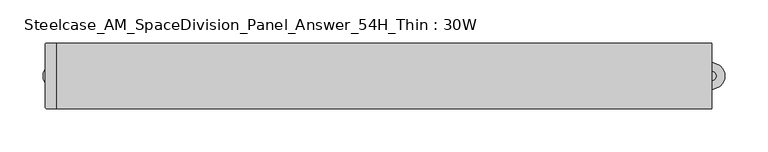
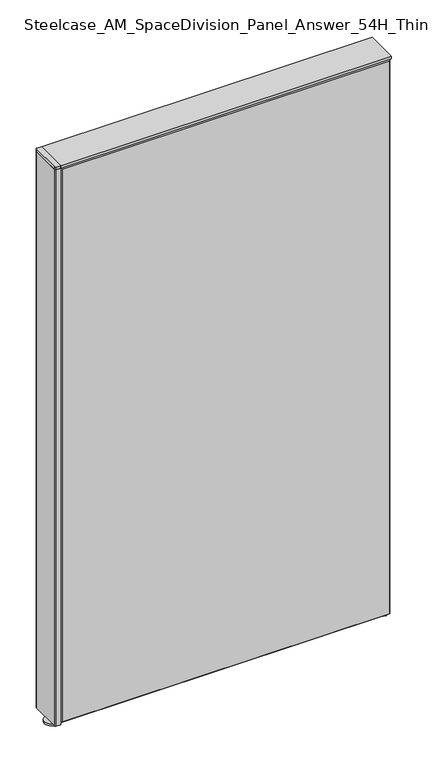
"""IFC4 building model written with IfcOpenShell, lengths in millimetres: furniture geometry, Steelcase_AM_SpaceDivision_Panel_Answer_54H_Thin : 30W."""

from ifc_helpers import new_model, si_unit, point, frame, frame_2d, origin, place, context, project, spatial, polyline, circle_curve, trimmed, segment, composite_curve, outline, extrude, faceted_brep, source, transform, mapped, element, save


def steelcase_am_spacedivision_panel_answer_54h_thin_30w_17b222c4(model_context):
    return source(origin(), model_context, "Body", "SolidModel", [
        extrude(outline(polyline([(37.3075215, 119.8575157), (25.4000011, 119.8575157), (25.4000011, 120.65), (38.1000194, 120.65), (38.1000194, 15.494), (37.3075215, 15.494), (37.3075215, 119.8575157)])), frame((-381.0, 0.0, 0.0), z_axis=(1.0, 0.0, 0.0), x_axis=(0.0, 1.0, 0.0)), (0.0, 0.0, 1.0), 762.0),
        extrude(outline(composite_curve([segment(trimmed(circle_curve(frame_2d((381.0, 1.94e-05)), 5.08), [point((386.08, 1.94e-05))], [point((375.92, 1.94e-05))], False, "CARTESIAN"), True, "CONTINUOUS"), segment(trimmed(circle_curve(frame_2d((381.0, 1.94e-05)), 5.08), [point((375.92, 1.94e-05))], [point((386.08, 1.94e-05))], False, "CARTESIAN"), True, "CONTINUOUS")], self_intersect=False)), frame((0.0, 0.0, 5.0799671), z_axis=(0.0, 0.0, 1.0), x_axis=(1.0, 0.0, 0.0)), (0.0, 0.0, 1.0), 10.414),
        extrude(outline(composite_curve([segment(trimmed(circle_curve(frame_2d((381.0, 1.94e-05)), 15.24), [point((396.24, 1.94e-05))], [point((365.76, 1.94e-05))], False, "CARTESIAN"), True, "CONTINUOUS"), segment(trimmed(circle_curve(frame_2d((381.0, 1.94e-05)), 15.24), [point((365.76, 1.94e-05))], [point((396.24, 1.94e-05))], False, "CARTESIAN"), True, "CONTINUOUS")], self_intersect=False)), frame((0.0, 0.0, -3.29e-05), z_axis=(0.0, 0.0, 1.0), x_axis=(1.0, 0.0, 0.0)), (0.0, 0.0, 1.0), 5.08),
        extrude(outline(composite_curve([segment(trimmed(circle_curve(frame_2d((-381.0, 1.94e-05)), 5.08), [point((-386.08, 1.94e-05))], [point((-375.92, 1.94e-05))], False, "CARTESIAN"), True, "CONTINUOUS"), segment(trimmed(circle_curve(frame_2d((-381.0, 1.94e-05)), 5.08), [point((-375.92, 1.94e-05))], [point((-386.08, 1.94e-05))], False, "CARTESIAN"), True, "CONTINUOUS")], self_intersect=False)), frame((0.0, 0.0, 5.0799671), z_axis=(0.0, 0.0, 1.0), x_axis=(1.0, 0.0, 0.0)), (0.0, 0.0, 1.0), 10.414),
        extrude(outline(composite_curve([segment(trimmed(circle_curve(frame_2d((-381.0, 1.94e-05)), 15.24), [point((-396.24, 1.94e-05))], [point((-365.76, 1.94e-05))], False, "CARTESIAN"), True, "CONTINUOUS"), segment(trimmed(circle_curve(frame_2d((-381.0, 1.94e-05)), 15.24), [point((-365.76, 1.94e-05))], [point((-396.24, 1.94e-05))], False, "CARTESIAN"), True, "CONTINUOUS")], self_intersect=False)), frame((0.0, 0.0, -3.29e-05), z_axis=(0.0, 0.0, 1.0), x_axis=(1.0, 0.0, 0.0)), (0.0, 0.0, 1.0), 5.08),
        extrude(outline(composite_curve([segment(polyline([(-393.7, -36.322), (-393.7, 36.322)]), True, "CONTINUOUS"), segment(trimmed(circle_curve(frame_2d((-391.922, 36.322)), 1.778), [point((-393.7, 36.322))], [point((-391.922, 38.1))], False, "CARTESIAN"), True, "CONTINUOUS"), segment(polyline([(-391.922, 38.1), (-381.0, 38.1), (-381.0, -38.1), (-391.922, -38.1)]), True, "CONTINUOUS"), segment(trimmed(circle_curve(frame_2d((-391.922, -36.322)), 1.778), [point((-391.922, -38.1))], [point((-393.7, -36.322))], False, "CARTESIAN"), True, "CONTINUOUS")], self_intersect=False)), frame((0.0, 0.0, 1371.5999671), z_axis=(0.0, 0.0, 1.0), x_axis=(1.0, 0.0, 0.0)), (0.0, 0.0, 1.0), 6.35),
        extrude(outline(composite_curve([segment(polyline([(-393.7, -36.322), (-393.7, 36.322)]), True, "CONTINUOUS"), segment(trimmed(circle_curve(frame_2d((-391.922, 36.322)), 1.778), [point((-393.7, 36.322))], [point((-391.922, 38.1))], False, "CARTESIAN"), True, "CONTINUOUS"), segment(polyline([(-391.922, 38.1), (-381.0, 38.1), (-381.0, -38.1), (-391.922, -38.1)]), True, "CONTINUOUS"), segment(trimmed(circle_curve(frame_2d((-391.922, -36.322)), 1.778), [point((-391.922, -38.1))], [point((-393.7, -36.322))], False, "CARTESIAN"), True, "CONTINUOUS")], self_intersect=False)), frame((0.0, 0.0, 15.4939671), z_axis=(0.0, 0.0, 1.0), x_axis=(1.0, 0.0, 0.0)), (0.0, 0.0, 1.0), 1356.106),
        faceted_brep([(-376.174, -38.0960552, 1366.774), (-376.174, -38.0960552, 20.32), (376.174, -38.0960552, 20.32), (376.174, -38.0960552, 1366.774), (-381.0, -33.2700552, 1371.6), (381.0, -33.2700552, 1371.6), (381.0, -33.2700552, 15.494), (-381.0, -33.2700552, 15.494)], [[[0, 1, 2, 3]], [[4, 5, 6, 7]], [[4, 0, 3, 5]], [[5, 3, 2, 6]], [[6, 2, 1, 7]], [[7, 1, 0, 4]]]),
        faceted_brep([(376.174, 38.0960552, 1366.774), (376.174, 38.0960552, 125.476), (-376.174, 38.0960552, 125.476), (-376.174, 38.0960552, 1366.774), (381.0, 33.2700552, 1371.6), (-381.0, 33.2700552, 1371.6), (-381.0, 33.2700552, 120.65), (381.0, 33.2700552, 120.65)], [[[0, 1, 2, 3]], [[4, 5, 6, 7]], [[4, 0, 3, 5]], [[5, 3, 2, 6]], [[6, 2, 1, 7]], [[7, 1, 0, 4]]]),
        extrude(outline(polyline([(381.0, -38.1000194), (-381.0, -38.1000194), (-381.0, 38.1000194), (381.0, 38.1000194), (381.0, -38.1000194)])), frame((0.0, 0.0, 1371.6), z_axis=(0.0, 0.0, 1.0), x_axis=(1.0, 0.0, 0.0)), (0.0, 0.0, 1.0), 6.35),
    ])


if __name__ == "__main__":
    model = new_model("IFC4")
    model_context = context("Model", 3, world=origin())
    ifc_project = project(units=[si_unit("LENGTHUNIT", "METRE", prefix="MILLI")], contexts=[model_context])
    site = spatial("IfcSite", under=ifc_project)
    building = spatial("IfcBuilding", under=site)
    placement = place(None, origin())
    steelcase_am_spacedivision_panel_answer_54h_thin_30w_shape = steelcase_am_spacedivision_panel_answer_54h_thin_30w_17b222c4(model_context)
    element("IfcFurniture", 1, ObjectType="Steelcase_AM_SpaceDivision_Panel_Answer_54H_Thin : 30W", at=placement, inside=building, context=model_context, shape_type="MappedRepresentation", body=[
        mapped(steelcase_am_spacedivision_panel_answer_54h_thin_30w_shape, transform((0.0, 0.0, 0.0), x_axis=(1.0, 0.0, 0.0), y_axis=(0.0, 1.0, 0.0), z_axis=(0.0, 0.0, 1.0))),
    ])
    save(model, "model.ifc")
